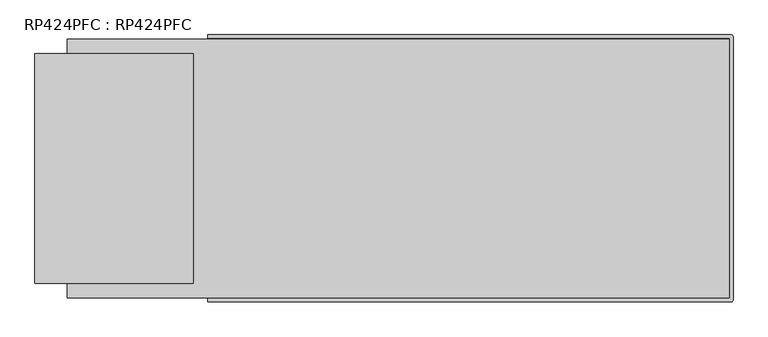
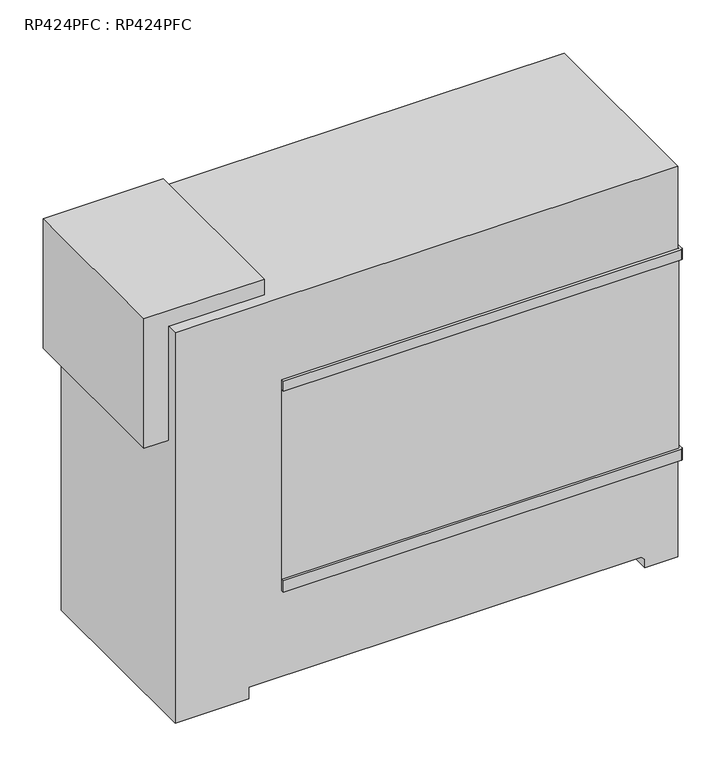
"""IFC4 building model written with IfcOpenShell, lengths in millimetres: proxy geometry, RP424PFC : RP424PFC."""

import ifcopenshell
import ifcopenshell.guid

model = None  # the IFC model being written
_history = None  # IfcOwnerHistory: only IFC2X3 demands one
_inside = {}  # id of a spatial element -> (the spatial element, [elements in it])
_under = {}  # id of a project, library or spatial element -> (it, [spatial elements below it])
_declared = {}  # id of a project -> (the project, [libraries it declares])
_typed = {}  # id of a type object -> (the type object, [elements of that type])
_made_of = {}  # id of a material, layer set ... -> (it, [elements and type objects made of it])


def new_model(schema):
    """Start an empty IFC model of exactly this schema.

    Asked for "IFC4X3", IfcOpenShell would pick the latest addendum, in which some entities
    have other attributes; the version numbers below select the first issue.
    IFC2X3 requires an IfcOwnerHistory on every rooted entity: one is made here for all.
    """
    global model, _history
    if schema == "IFC4X3":
        model = ifcopenshell.file(schema_version=(4, 3, 0, 0))
    else:
        model = ifcopenshell.file(schema=schema)
    _inside.clear()
    _under.clear()
    _declared.clear()
    _typed.clear()
    _made_of.clear()
    _history = None
    if model.schema == "IFC2X3":
        org = make("IfcOrganization", Name="unknown")
        user = make(
            "IfcPersonAndOrganization",
            ThePerson=make("IfcPerson", FamilyName="unknown"),
            TheOrganization=org,
        )
        app = make(
            "IfcApplication",
            ApplicationDeveloper=org,
            Version="unknown",
            ApplicationFullName="unknown",
            ApplicationIdentifier="unknown",
        )
        _history = make(
            "IfcOwnerHistory",
            OwningUser=user,
            OwningApplication=app,
            ChangeAction="ADDED",
            CreationDate=0,
        )
    return model


def make(cls, **values):
    """One entity of the class cls with the attributes given. An attribute that is None is left unset."""
    return model.create_entity(
        cls, **{name: value for name, value in values.items() if value is not None}
    )


def rooted(cls, **values):
    """An entity with a GlobalId (a new one), such as an element, a storey or a relation."""
    return make(cls, GlobalId=ifcopenshell.guid.new(), OwnerHistory=_history, **values)


def si_unit(unit_type, name, prefix=None):
    """IfcSIUnit, for example si_unit("LENGTHUNIT", "METRE", prefix="MILLI")."""
    return make("IfcSIUnit", UnitType=unit_type, Prefix=prefix, Name=name)


def assignment(units):
    """IfcUnitAssignment: the units of a project."""
    return None if units is None else make("IfcUnitAssignment", Units=units)


def point(xyz):
    """IfcCartesianPoint."""
    return None if xyz is None else make("IfcCartesianPoint", Coordinates=xyz)


def direction(xyz):
    """IfcDirection."""
    return None if xyz is None else make("IfcDirection", DirectionRatios=xyz)


def frame(location, z_axis=None, x_axis=None):
    """IfcAxis2Placement3D, a coordinate frame: its origin and axes. An axis left out is left unset."""
    return make(
        "IfcAxis2Placement3D",
        Location=point(location),
        Axis=direction(z_axis),
        RefDirection=direction(x_axis),
    )


def frame_2d(location, x_axis=None):
    """IfcAxis2Placement2D, a coordinate frame in the plane: its origin and x axis."""
    return make(
        "IfcAxis2Placement2D", Location=point(location), RefDirection=direction(x_axis)
    )


def origin():
    """The frame at (0, 0, 0) with its axes left unset."""
    return frame((0.0, 0.0, 0.0))


def place(relative_to, where):
    """IfcLocalPlacement: puts the frame where relative to a parent placement (None: the world)."""
    return make(
        "IfcLocalPlacement", PlacementRelTo=relative_to, RelativePlacement=where
    )


def context(
    kind, dimensions, precision=None, world=None, true_north=None, identifier=None
):
    """IfcGeometricRepresentationContext, for example the 3D "Model" context."""
    return make(
        "IfcGeometricRepresentationContext",
        ContextIdentifier=identifier,
        ContextType=kind,
        CoordinateSpaceDimension=dimensions,
        Precision=precision,
        WorldCoordinateSystem=world,
        TrueNorth=true_north,
    )


def project(units=None, contexts=None):
    """IfcProject with its units and contexts."""
    return rooted(
        "IfcProject",
        Name="project",
        RepresentationContexts=contexts,
        UnitsInContext=assignment(units),
    )


def spatial(cls, under=None, at=None, **own):
    """A site, building, storey or space (cls), placed at a placement, below another one or the project."""
    s = rooted(cls, ObjectPlacement=at, **own)
    if under is not None:
        _under.setdefault(under.id(), (under, []))[1].append(s)
    return s


def polyline(points):
    """IfcPolyline through the points."""
    return make("IfcPolyline", Points=[point(p) for p in points])


def circle_curve(where, radius):
    """IfcCircle in the frame where."""
    return make("IfcCircle", Position=where, Radius=radius)


def trimmed(basis, trim1, trim2, sense, master):
    """IfcTrimmedCurve: the piece of a basis curve between two trims."""
    return make(
        "IfcTrimmedCurve",
        BasisCurve=basis,
        Trim1=trim1,
        Trim2=trim2,
        SenseAgreement=sense,
        MasterRepresentation=master,
    )


def segment(curve, same_sense, transition):
    """IfcCompositeCurveSegment."""
    return make(
        "IfcCompositeCurveSegment",
        Transition=transition,
        SameSense=same_sense,
        ParentCurve=curve,
    )


def composite_curve(segments, self_intersect=None):
    """IfcCompositeCurve: segments joined end to end."""
    return make("IfcCompositeCurve", Segments=segments, SelfIntersect=self_intersect)


def outline(outer, holes=None, kind="AREA"):
    """IfcArbitraryClosedProfileDef: a profile drawn as a closed curve; with holes, ...WithVoids."""
    if holes is None:
        return make("IfcArbitraryClosedProfileDef", ProfileType=kind, OuterCurve=outer)
    return make(
        "IfcArbitraryProfileDefWithVoids",
        ProfileType=kind,
        OuterCurve=outer,
        InnerCurves=holes,
    )


def extrude(swept, where, along, depth):
    """IfcExtrudedAreaSolid: the profile swept, set in the frame where, extruded along a direction by depth."""
    return make(
        "IfcExtrudedAreaSolid",
        SweptArea=swept,
        Position=where,
        ExtrudedDirection=direction(along),
        Depth=depth,
    )


def faces_of(points, faces, orient=None, outer=None):
    """IfcFace entities. A face is a list of loops; a loop is a list of indices into points, from 0.

    orient and outer hold one flag for each loop. By default every Orientation is true, the
    first loop of a face is its IfcFaceOuterBound and the others are IfcFaceBound.
    """
    made = []
    for i, loops in enumerate(faces):
        bounds = []
        for j, loop in enumerate(loops):
            is_outer = j == 0 if outer is None else outer[i][j]
            bounds.append(
                make(
                    "IfcFaceOuterBound" if is_outer else "IfcFaceBound",
                    Bound=make("IfcPolyLoop", Polygon=[points[k] for k in loop]),
                    Orientation=True if orient is None else orient[i][j],
                )
            )
        made.append(make("IfcFace", Bounds=bounds))
    return made


def faceted_brep(points, faces, orient=None, outer=None, voids=None):
    """IfcFacetedBrep: a solid bounded by flat faces; with voids (closed shells), ...WithVoids."""
    shared = [point(p) for p in points]
    hull = make("IfcClosedShell", CfsFaces=faces_of(shared, faces, orient, outer))
    if voids is None:
        return make("IfcFacetedBrep", Outer=hull)
    return make(
        "IfcFacetedBrepWithVoids",
        Outer=hull,
        Voids=[
            make(cls, CfsFaces=faces_of(shared, fs, o, b)) for cls, fs, o, b in voids
        ],
    )


def shape(context_of_items, identifier, shape_type, items):
    """IfcShapeRepresentation: the items that make up one representation, for example the "Body"."""
    return make(
        "IfcShapeRepresentation",
        ContextOfItems=context_of_items,
        RepresentationIdentifier=identifier,
        RepresentationType=shape_type,
        Items=items,
    )


def source(mapping_origin, context_of_items, identifier, shape_type, items):
    """IfcRepresentationMap: a shape defined once, which mapped items show again and again."""
    return make(
        "IfcRepresentationMap",
        MappingOrigin=mapping_origin,
        MappedRepresentation=shape(context_of_items, identifier, shape_type, items),
    )


def transform(
    local_origin,
    x_axis=None,
    y_axis=None,
    z_axis=None,
    scale=None,
    scale2=None,
    scale3=None,
    uniform=True,
):
    """IfcCartesianTransformationOperator3D, or its non-uniform kind. x_axis, y_axis, z_axis: its Axis1, 2, 3."""
    if uniform:
        return make(
            "IfcCartesianTransformationOperator3D",
            Axis1=direction(x_axis),
            Axis2=direction(y_axis),
            LocalOrigin=point(local_origin),
            Scale=scale,
            Axis3=direction(z_axis),
        )
    return make(
        "IfcCartesianTransformationOperator3DnonUniform",
        Axis1=direction(x_axis),
        Axis2=direction(y_axis),
        LocalOrigin=point(local_origin),
        Scale=scale,
        Axis3=direction(z_axis),
        Scale2=scale2,
        Scale3=scale3,
    )


def mapped(mapping_source, mapping_target):
    """IfcMappedItem: shows the shape of a source again, moved by a transform."""
    return make(
        "IfcMappedItem", MappingSource=mapping_source, MappingTarget=mapping_target
    )


def made_of(thing, what):
    """Note that an element or type object is made of a material, layer set ...; save() writes the relation."""
    if what is not None:
        _made_of.setdefault(what.id(), (what, []))[1].append(thing)
    return thing


def element(
    cls,
    number,
    at=None,
    inside=None,
    cuts=None,
    type_object=None,
    material=None,
    context=None,
    identifier="Body",
    shape_type=None,
    held_by="IfcProductDefinitionShape",
    body=None,
    shapes=None,
    **own,
):
    """One element of the class cls, such as IfcWall. Its Tag is "e" and its number.

    at: its placement. inside: the storey or other place that contains it. cuts: it is an
    opening in that element (IfcRelVoidsElement). A single representation is given by context,
    identifier, shape_type and body (its items); several are given by shapes. held_by: the class
    of the entity that holds the representations. save() writes the other relations.
    """
    e = rooted(cls, Tag="e%d" % number, ObjectPlacement=at, **own)
    if body is not None:
        shapes = [shape(context, identifier, shape_type, body)]
    if shapes is not None:
        e.Representation = make(held_by, Representations=shapes)
    if inside is not None:
        _inside.setdefault(inside.id(), (inside, []))[1].append(e)
    if cuts is not None:
        rooted(
            "IfcRelVoidsElement", RelatingBuildingElement=cuts, RelatedOpeningElement=e
        )
    if type_object is not None:
        _typed.setdefault(type_object.id(), (type_object, []))[1].append(e)
    return made_of(e, material)


def aggregate(whole, parts):
    """IfcRelAggregates: a whole, such as a stair, and the parts it consists of."""
    return rooted("IfcRelAggregates", RelatingObject=whole, RelatedObjects=parts)


def save(model, path):
    """Write the relations noted so far, then the file.

    IfcRelAggregates (storeys below a building ...), IfcRelContainedInSpatialStructure (elements
    in a storey), IfcRelDefinesByType, IfcRelAssociatesMaterial and IfcRelDeclares: one each for
    every whole, place, type object, material and project.
    """
    for whole, parts in _under.values():
        aggregate(whole, parts)
    for where, things in _inside.values():
        rooted(
            "IfcRelContainedInSpatialStructure",
            RelatedElements=things,
            RelatingStructure=where,
        )
    for kind, things in _typed.values():
        rooted("IfcRelDefinesByType", RelatedObjects=things, RelatingType=kind)
    for what, things in _made_of.values():
        rooted("IfcRelAssociatesMaterial", RelatedObjects=things, RelatingMaterial=what)
    for by, libraries in _declared.values():
        rooted("IfcRelDeclares", RelatingContext=by, RelatedDefinitions=libraries)
    model.write(path)


def rp424pfc_rp424pfc_235ae7f0(model_context):
    return source(origin(), model_context, "Body", "SolidModel", [
        extrude(outline(polyline([(-445.67475, -304.8), (-445.67475, -303.2125), (773.90625, -303.2125), (773.90625, 303.2125), (-445.67475, 303.2125), (-445.67475, 304.8), (775.43025, 304.8), (775.43025, -304.8), (-445.67475, -304.8)])), frame((0.0, 0.0, 353.695), z_axis=(0.0, 0.0, 1.0), x_axis=(1.0, 0.0, 0.0)), (0.0, 0.0, 1.0), 616.585),
        extrude(outline(composite_curve([segment(polyline([(-445.67475, -312.801), (-445.67475, -304.8), (775.43025, -304.8), (775.43025, 304.8), (-445.67475, 304.8), (-445.67475, 312.801), (778.35125, 312.801)]), True, "CONTINUOUS"), segment(trimmed(circle_curve(frame_2d((778.35125, 307.721)), 5.08), [point((778.35125, 312.801))], [point((783.43125, 307.721))], False, "CARTESIAN"), True, "CONTINUOUS"), segment(polyline([(783.43125, 307.721), (783.43125, -307.721)]), True, "CONTINUOUS"), segment(trimmed(circle_curve(frame_2d((778.35125, -307.721)), 5.08), [point((783.43125, -307.721))], [point((778.35125, -312.801))], False, "CARTESIAN"), True, "CONTINUOUS"), segment(polyline([(778.35125, -312.801), (-445.67475, -312.801)]), True, "CONTINUOUS")], self_intersect=False)), frame((0.0, 0.0, 970.28), z_axis=(0.0, 0.0, 1.0), x_axis=(1.0, 0.0, 0.0)), (0.0, 0.0, 1.0), 33.3502),
        extrude(outline(composite_curve([segment(polyline([(-445.67475, -312.801), (-445.67475, -304.8), (775.43025, -304.8), (775.43025, 304.8), (-445.67475, 304.8), (-445.67475, 312.801), (778.35125, 312.801)]), True, "CONTINUOUS"), segment(trimmed(circle_curve(frame_2d((778.35125, 307.721)), 5.08), [point((778.35125, 312.801))], [point((783.43125, 307.721))], False, "CARTESIAN"), True, "CONTINUOUS"), segment(polyline([(783.43125, 307.721), (783.43125, -307.721)]), True, "CONTINUOUS"), segment(trimmed(circle_curve(frame_2d((778.35125, -307.721)), 5.08), [point((783.43125, -307.721))], [point((778.35125, -312.801))], False, "CARTESIAN"), True, "CONTINUOUS"), segment(polyline([(778.35125, -312.801), (-445.67475, -312.801)]), True, "CONTINUOUS")], self_intersect=False)), frame((0.0, 0.0, 317.1698), z_axis=(0.0, 0.0, 1.0), x_axis=(1.0, 0.0, 0.0)), (0.0, 0.0, 1.0), 36.5252),
        faceted_brep([(-479.43135, 268.7193, 1320.8), (-849.53475, 268.7193, 1320.8), (-849.53475, -268.7193, 1320.8), (-479.43135, -268.7193, 1320.8), (-849.53475, -268.7193, 900.176), (-849.53475, 268.7193, 900.176), (-773.90625, 268.7193, 900.176), (-773.90625, -268.7193, 900.176), (-479.43135, 268.7193, 1270.0), (-773.90625, 268.7193, 1270.0), (-773.90625, -268.7193, 1270.0), (-479.43135, -268.7193, 1270.0), (773.90625, 303.2125, 1270.0), (-773.90625, 303.2125, 1270.0), (-773.90625, -303.2125, 1270.0), (773.90625, -303.2125, 1270.0), (773.90625, 303.2125, 0.0), (773.90625, -303.2125, 0.0), (672.2935518, -303.2125, 0.0), (672.2935518, 303.2125, 0.0), (-773.90625, -303.2125, 0.0), (-773.90625, 303.2125, 0.0), (-546.9064482, 303.2125, 0.0), (-546.9064482, -303.2125, 0.0), (672.2935518, 303.2125, 26.924), (661.1175518, 303.2125, 38.1), (-546.9064482, 303.2125, 38.1), (-546.9064482, -303.2125, 38.1), (661.1175518, -303.2125, 38.1), (672.2935518, -303.2125, 26.924)], [[[0, 1, 2, 3]], [[4, 5, 6, 7]], [[1, 0, 8, 9, 6, 5]], [[2, 1, 5, 4]], [[3, 2, 4, 7, 10, 11]], [[0, 3, 11, 8]], [[12, 13, 9, 8, 11, 10, 14, 15]], [[16, 17, 18, 19]], [[20, 21, 22, 23]], [[13, 12, 16, 19, 24, 25, 26, 22, 21]], [[21, 20, 14, 10, 7, 6, 9, 13]], [[15, 14, 20, 23, 27, 28, 29, 18, 17]], [[12, 15, 17, 16]], [[29, 24, 19, 18]], [[24, 29, 28, 25]], [[25, 28, 27, 26]], [[26, 27, 23, 22]]]),
    ])


if __name__ == "__main__":
    model = new_model("IFC4")
    model_context = context("Model", 3, world=origin())
    ifc_project = project(units=[si_unit("LENGTHUNIT", "METRE", prefix="MILLI")], contexts=[model_context])
    site = spatial("IfcSite", under=ifc_project)
    building = spatial("IfcBuilding", under=site)
    placement = place(None, origin())
    rp424pfc_rp424pfc_shape = rp424pfc_rp424pfc_235ae7f0(model_context)
    element("IfcBuildingElementProxy", 1, Name="RP424PFC : RP424PFC", ObjectType="RP424PFC : RP424PFC", at=placement, inside=building, context=model_context, shape_type="MappedRepresentation", body=[
        mapped(rp424pfc_rp424pfc_shape, transform((0.0, 0.0, 0.0), x_axis=(1.0, 0.0, 0.0), y_axis=(0.0, 1.0, 0.0), z_axis=(0.0, 0.0, 1.0))),
    ])
    save(model, "model.ifc")
